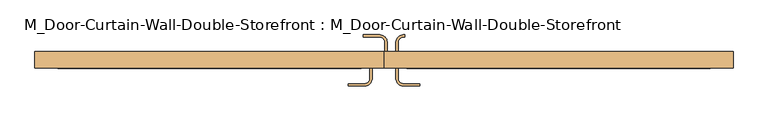
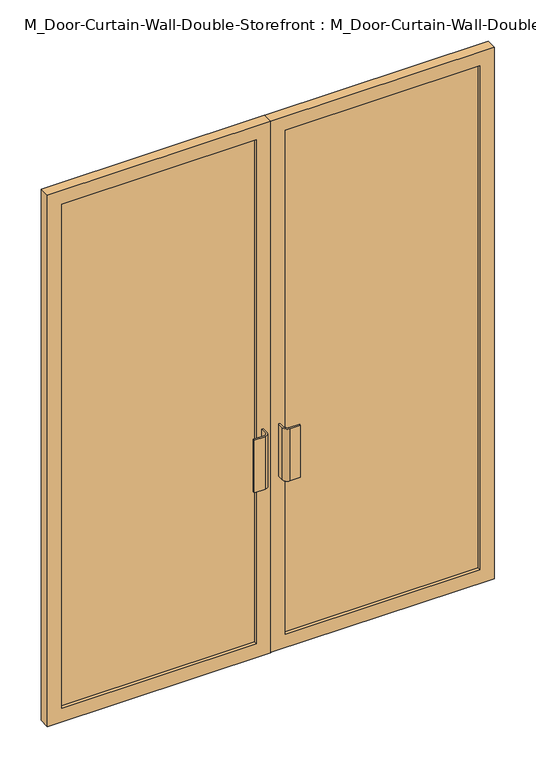
"""IFC4 building model written with IfcOpenShell, lengths in millimetres: door geometry, M_Door-Curtain-Wall-Double-Storefront : M_Door-Curtain-Wall-Double-Storefront."""

from ifc_helpers import new_model, si_unit, point, frame, frame_2d, origin, place, context, project, spatial, polyline, circle_curve, trimmed, segment, composite_curve, outline, extrude, source, transform, mapped, element, save


def m_door_curtain_wall_double_storefront_m_door_curtain_wall_9c7189a9(model_context):
    return source(origin(), model_context, "Body", "SweptSolid", [
        extrude(outline(polyline([(2325.0, 0.8168501), (0.0, 0.8168501), (0.0, 925.0), (2325.0, 925.0), (2325.0, 0.8168501)]), holes=[polyline([(60.0, 865.0), (60.0, 60.0231001), (2265.0, 60.0231001), (2265.0, 865.0), (60.0, 865.0)])]), frame((0.0, 15.55, 0.0), z_axis=(0.0, 1.0, 0.0), x_axis=(0.0, 0.0, 1.0)), (0.0, 0.0, 1.0), 44.45),
        extrude(outline(polyline([(2325.0, -0.7706499), (2325.0, -925.0), (0.0, -925.0), (0.0, -0.7706499), (2325.0, -0.7706499)]), holes=[polyline([(60.0, -59.9768999), (60.0, -865.0), (2265.0, -865.0), (2265.0, -59.9768999), (60.0, -59.9768999)])]), frame((0.0, 15.55, 0.0), z_axis=(0.0, 1.0, 0.0), x_axis=(0.0, 0.0, 1.0)), (0.0, 0.0, 1.0), 44.45),
        extrude(outline(polyline([(865.0, 28.25), (60.0231001, 28.25), (60.0231001, 47.3), (865.0, 47.3), (865.0, 28.25)])), frame((0.0, 0.0, 60.0), z_axis=(0.0, 0.0, 1.0), x_axis=(1.0, 0.0, 0.0)), (0.0, 0.0, 1.0), 2205.0),
        extrude(outline(polyline([(-59.9768999, 28.25), (-865.0, 28.25), (-865.0, 47.3), (-59.9768999, 47.3), (-59.9768999, 28.25)])), frame((0.0, 0.0, 60.0), z_axis=(0.0, 0.0, 1.0), x_axis=(1.0, 0.0, 0.0)), (0.0, 0.0, 1.0), 2205.0),
        extrude(outline(composite_curve([segment(trimmed(circle_curve(frame_2d((-50.7768999, -12.7)), 19.05), [point((-31.7268999, -12.7))], [point((-50.7768999, -31.75))], False, "CARTESIAN"), True, "CONTINUOUS"), segment(polyline([(-50.7768999, -31.75), (-95.2268999, -31.75), (-95.2268999, -25.4), (-50.7768999, -25.4)]), True, "CONTINUOUS"), segment(trimmed(circle_curve(frame_2d((-50.7768999, -12.7)), 12.7), [point((-50.7768999, -25.4))], [point((-38.0768999, -12.7))], True, "CARTESIAN"), True, "CONTINUOUS"), segment(polyline([(-38.0768999, -12.7), (-38.0768999, 15.55), (-31.7268999, 15.55), (-31.7268999, -12.7)]), True, "CONTINUOUS")], self_intersect=False)), frame((0.0, 0.0, 762.0), z_axis=(0.0, 0.0, 1.0), x_axis=(1.0, 0.0, 0.0)), (0.0, 0.0, 1.0), 228.6),
        extrude(outline(composite_curve([segment(polyline([(31.7731001, -12.7), (31.7731001, 15.55), (38.1231001, 15.55), (38.1231001, -12.7)]), True, "CONTINUOUS"), segment(trimmed(circle_curve(frame_2d((50.8231001, -12.7)), 12.7), [point((38.1231001, -12.7))], [point((50.8231001, -25.4))], True, "CARTESIAN"), True, "CONTINUOUS"), segment(polyline([(50.8231001, -25.4), (95.2731001, -25.4), (95.2731001, -31.75), (50.8231001, -31.75)]), True, "CONTINUOUS"), segment(trimmed(circle_curve(frame_2d((50.8231001, -12.7)), 19.05), [point((50.8231001, -31.75))], [point((31.7731001, -12.7))], False, "CARTESIAN"), True, "CONTINUOUS")], self_intersect=False)), frame((0.0, 0.0, 762.0), z_axis=(0.0, 0.0, 1.0), x_axis=(1.0, 0.0, 0.0)), (0.0, 0.0, 1.0), 228.6),
        extrude(outline(composite_curve([segment(polyline([(8.2731001, 85.4), (8.2731001, 60.0), (1.9231001, 60.0), (1.9231001, 85.4)]), True, "CONTINUOUS"), segment(trimmed(circle_curve(frame_2d((-10.7768999, 85.4)), 12.7), [point((1.9231001, 85.4))], [point((-10.7768999, 98.1))], True, "CARTESIAN"), True, "CONTINUOUS"), segment(polyline([(-10.7768999, 98.1), (-55.2268999, 98.1), (-55.2268999, 104.45), (-10.7768999, 104.45)]), True, "CONTINUOUS"), segment(trimmed(circle_curve(frame_2d((-10.7768999, 85.4)), 19.05), [point((-10.7768999, 104.45))], [point((8.2731001, 85.4))], False, "CARTESIAN"), True, "CONTINUOUS")], self_intersect=False)), frame((0.0, 0.0, 762.0), z_axis=(0.0, 0.0, 1.0), x_axis=(1.0, 0.0, 0.0)), (0.0, 0.0, 1.0), 228.6),
        extrude(outline(composite_curve([segment(trimmed(circle_curve(frame_2d((50.8231001, 85.4)), 19.05), [point((31.7731001, 85.4))], [point((50.8231001, 104.45))], False, "CARTESIAN"), True, "CONTINUOUS"), segment(polyline([(50.8231001, 104.45), (55.2731001, 104.45), (55.2731001, 98.1), (50.8231001, 98.1)]), True, "CONTINUOUS"), segment(trimmed(circle_curve(frame_2d((50.8231001, 85.4)), 12.7), [point((50.8231001, 98.1))], [point((38.1231001, 85.4))], True, "CARTESIAN"), True, "CONTINUOUS"), segment(polyline([(38.1231001, 85.4), (38.1231001, 60.0), (31.7731001, 60.0), (31.7731001, 85.4)]), True, "CONTINUOUS")], self_intersect=False)), frame((0.0, 0.0, 762.0), z_axis=(0.0, 0.0, 1.0), x_axis=(1.0, 0.0, 0.0)), (0.0, 0.0, 1.0), 228.6),
    ])


if __name__ == "__main__":
    model = new_model("IFC4")
    model_context = context("Model", 3, world=origin())
    ifc_project = project(units=[si_unit("LENGTHUNIT", "METRE", prefix="MILLI")], contexts=[model_context])
    site = spatial("IfcSite", under=ifc_project)
    building = spatial("IfcBuilding", under=site)
    placement = place(None, origin())
    m_door_curtain_wall_double_storefront_m_door_curtain_wall_shape = m_door_curtain_wall_double_storefront_m_door_curtain_wall_9c7189a9(model_context)
    element("IfcDoor", 1, ObjectType="M_Door-Curtain-Wall-Double-Storefront : M_Door-Curtain-Wall-Double-Storefront", at=placement, inside=building, context=model_context, shape_type="MappedRepresentation", body=[
        mapped(m_door_curtain_wall_double_storefront_m_door_curtain_wall_shape, transform((0.0, 0.0, 0.0), x_axis=(1.0, 0.0, 0.0), y_axis=(0.0, 1.0, 0.0), z_axis=(0.0, 0.0, 1.0))),
    ])
    save(model, "model.ifc")
